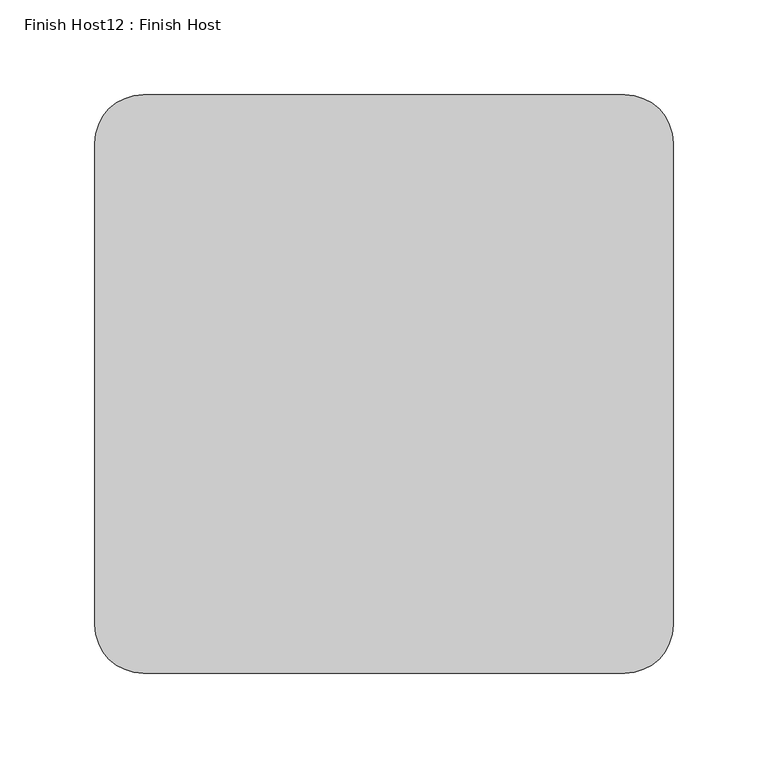
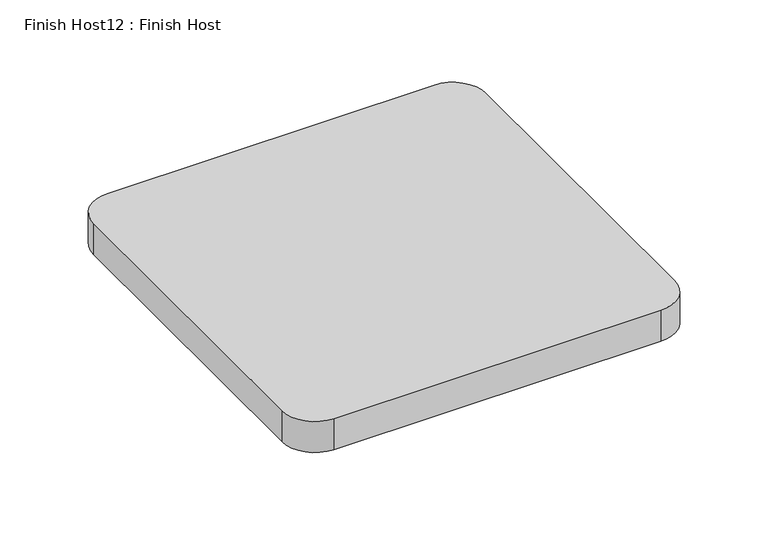
"""IFC4 building model written with IfcOpenShell, lengths in millimetres: proxy geometry, Finish Host12 : Finish Host."""

from ifc_helpers import new_model, si_unit, point, frame_2d, origin, origin_with_axes, place, context, project, spatial, polyline, circle_curve, trimmed, segment, composite_curve, outline, extrude, source, transform, mapped, element, save


def finish_host12_finish_host_615aa6c3(model_context):
    return source(origin(), model_context, "Body", "SweptSolid", [
        extrude(outline(composite_curve([segment(polyline([(6525.0934426, 1206.8122951), (6525.0934426, 1460.8122951)]), True, "CONTINUOUS"), segment(trimmed(circle_curve(frame_2d((6550.4934426, 1460.8122951)), 25.4), [point((6525.0934426, 1460.8122951))], [point((6550.4934426, 1486.2122951))], False, "CARTESIAN"), True, "CONTINUOUS"), segment(polyline([(6550.4934426, 1486.2122951), (6804.4934426, 1486.2122951)]), True, "CONTINUOUS"), segment(trimmed(circle_curve(frame_2d((6804.4934426, 1460.8122951)), 25.4), [point((6804.4934426, 1486.2122951))], [point((6829.8934426, 1460.8122951))], False, "CARTESIAN"), True, "CONTINUOUS"), segment(polyline([(6829.8934426, 1460.8122951), (6829.8934426, 1206.8122951)]), True, "CONTINUOUS"), segment(trimmed(circle_curve(frame_2d((6804.4934426, 1206.8122951)), 25.4), [point((6829.8934426, 1206.8122951))], [point((6804.4934426, 1181.4122951))], False, "CARTESIAN"), True, "CONTINUOUS"), segment(polyline([(6804.4934426, 1181.4122951), (6550.4934426, 1181.4122951)]), True, "CONTINUOUS"), segment(trimmed(circle_curve(frame_2d((6550.4934426, 1206.8122951)), 25.4), [point((6550.4934426, 1181.4122951))], [point((6525.0934426, 1206.8122951))], False, "CARTESIAN"), True, "CONTINUOUS")], self_intersect=False)), origin_with_axes(), (0.0, 0.0, 1.0), 25.4),
    ])


if __name__ == "__main__":
    model = new_model("IFC4")
    model_context = context("Model", 3, world=origin())
    ifc_project = project(units=[si_unit("LENGTHUNIT", "METRE", prefix="MILLI")], contexts=[model_context])
    site = spatial("IfcSite", under=ifc_project)
    building = spatial("IfcBuilding", under=site)
    placement = place(None, origin())
    finish_host12_finish_host_shape = finish_host12_finish_host_615aa6c3(model_context)
    element("IfcBuildingElementProxy", 1, Name="Finish Host12 : Finish Host", ObjectType="Finish Host12 : Finish Host", at=placement, inside=building, context=model_context, shape_type="MappedRepresentation", body=[
        mapped(finish_host12_finish_host_shape, transform((0.0, 0.0, 0.0), x_axis=(1.0, 0.0, 0.0), y_axis=(0.0, 1.0, 0.0), z_axis=(0.0, 0.0, 1.0))),
    ])
    save(model, "model.ifc")
